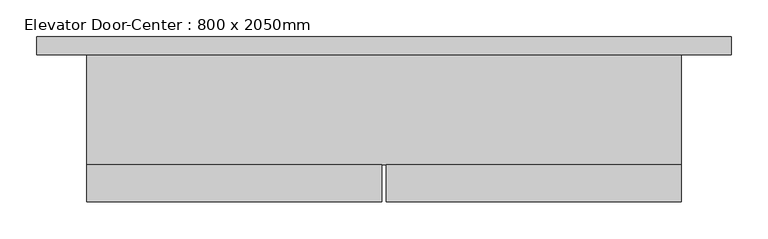
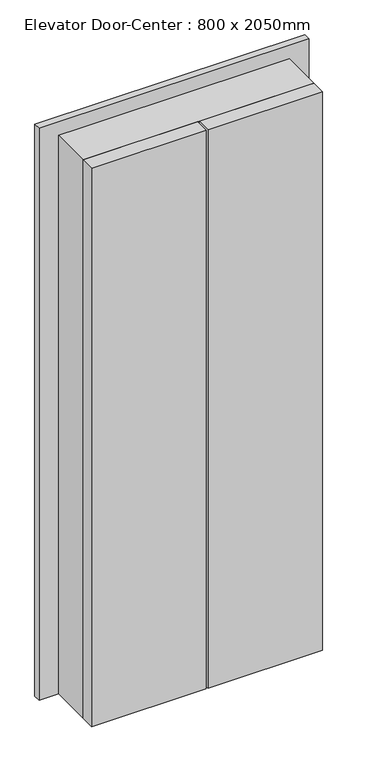
"""IFC4 building model written with IfcOpenShell, lengths in millimetres: proxy geometry, Elevator Door-Center : 800 x 2050mm."""

from ifc_helpers import new_model, si_unit, frame, origin, origin_with_axes, place, context, project, spatial, polyline, outline, extrude, source, transform, mapped, element, save


def elevator_door_center_800_x_2050mm_48fc4e22(model_context):
    return source(origin(), model_context, "Body", "SweptSolid", [
        extrude(outline(polyline([(-102.3106443, -75.0), (-102.3106443, -125.8), (-505.4856443, -125.8), (-505.4856443, -75.0), (-102.3106443, -75.0)])), origin_with_axes(), (0.0, 0.0, 1.0), 2075.4),
        extrude(outline(polyline([(307.2143557, -75.0), (307.2143557, -125.8), (-95.9606443, -125.8), (-95.9606443, -75.0), (307.2143557, -75.0)])), origin_with_axes(), (0.0, 0.0, 1.0), 2075.4),
        extrude(outline(polyline([(0.0, -505.4856443), (0.0, -499.1356443), (2050.0, -499.1356443), (2050.0, 300.8643557), (0.0, 300.8643557), (0.0, 307.2143557), (2075.4, 307.2143557), (2075.4, -505.4856443), (0.0, -505.4856443)])), frame((0.0, -75.0, 0.0), z_axis=(0.0, 1.0, 0.0), x_axis=(0.0, 0.0, 1.0)), (0.0, 0.0, 1.0), 150.0),
        extrude(outline(polyline([(0.0, -574.1450193), (0.0, -499.1356443), (2050.0, -499.1356443), (2050.0, 300.8643557), (0.0, 300.8643557), (0.0, 375.8737307), (2125.009375, 375.8737307), (2125.009375, -574.1450193), (0.0, -574.1450193)])), frame((0.0, 75.0, 0.0), z_axis=(0.0, 1.0, 0.0), x_axis=(0.0, 0.0, 1.0)), (0.0, 0.0, 1.0), 25.003125),
    ])


if __name__ == "__main__":
    model = new_model("IFC4")
    model_context = context("Model", 3, world=origin())
    ifc_project = project(units=[si_unit("LENGTHUNIT", "METRE", prefix="MILLI")], contexts=[model_context])
    site = spatial("IfcSite", under=ifc_project)
    building = spatial("IfcBuilding", under=site)
    placement = place(None, origin())
    elevator_door_center_800_x_2050mm_shape = elevator_door_center_800_x_2050mm_48fc4e22(model_context)
    element("IfcBuildingElementProxy", 1, Name="Elevator Door-Center : 800 x 2050mm", ObjectType="Elevator Door-Center : 800 x 2050mm", at=placement, inside=building, context=model_context, shape_type="MappedRepresentation", body=[
        mapped(elevator_door_center_800_x_2050mm_shape, transform((0.0, 0.0, 0.0), x_axis=(1.0, 0.0, 0.0), y_axis=(0.0, 1.0, 0.0), z_axis=(0.0, 0.0, 1.0))),
    ])
    save(model, "model.ifc")
